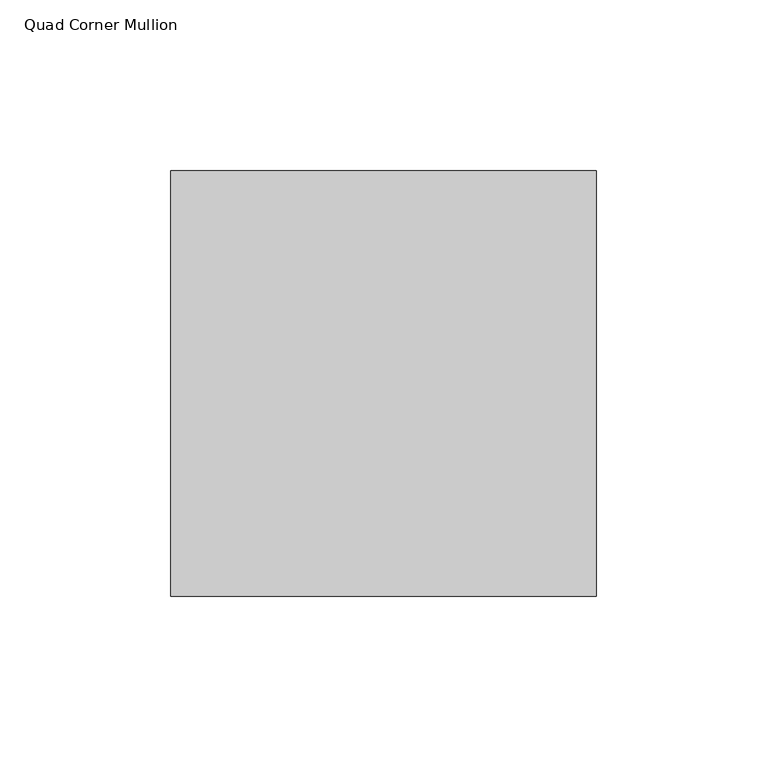
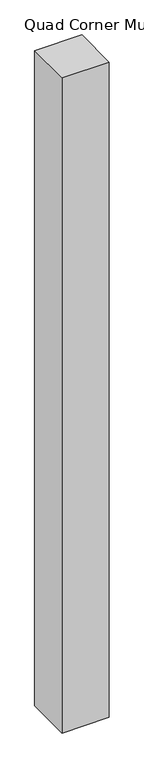
"""IFC4 building model written with IfcOpenShell, lengths in millimetres: member geometry, Quad Corner Mullion."""

from ifc_helpers import new_model, si_unit, frame, origin, place, context, project, spatial, polyline, outline, extrude, source, transform, mapped, element, save


def quad_corner_mullion_f014f28c(model_context):
    return source(origin(), model_context, "Body", "SweptSolid", [
        extrude(outline(polyline([(77.8371094, -46.8808594), (-46.8808594, -46.8808594), (-46.8808594, 77.8371094), (77.8371094, 77.8371094), (77.8371094, -46.8808594)])), frame((0.0, 0.0, -1828.8), z_axis=(0.0, 0.0, 1.0), x_axis=(1.0, 0.0, 0.0)), (0.0, 0.0, 1.0), 1828.8),
    ])


if __name__ == "__main__":
    model = new_model("IFC4")
    model_context = context("Model", 3, world=origin())
    ifc_project = project(units=[si_unit("LENGTHUNIT", "METRE", prefix="MILLI")], contexts=[model_context])
    site = spatial("IfcSite", under=ifc_project)
    building = spatial("IfcBuilding", under=site)
    placement = place(None, origin())
    quad_corner_mullion_shape = quad_corner_mullion_f014f28c(model_context)
    element("IfcMember", 1, ObjectType="Quad Corner Mullion", at=placement, inside=building, context=model_context, shape_type="MappedRepresentation", body=[
        mapped(quad_corner_mullion_shape, transform((0.0, 0.0, 0.0), x_axis=(1.0, 0.0, 0.0), y_axis=(0.0, 1.0, 0.0), z_axis=(0.0, 0.0, 1.0))),
    ])
    save(model, "model.ifc")
